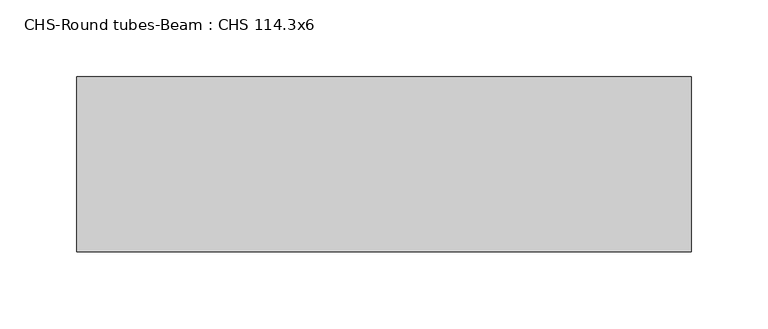
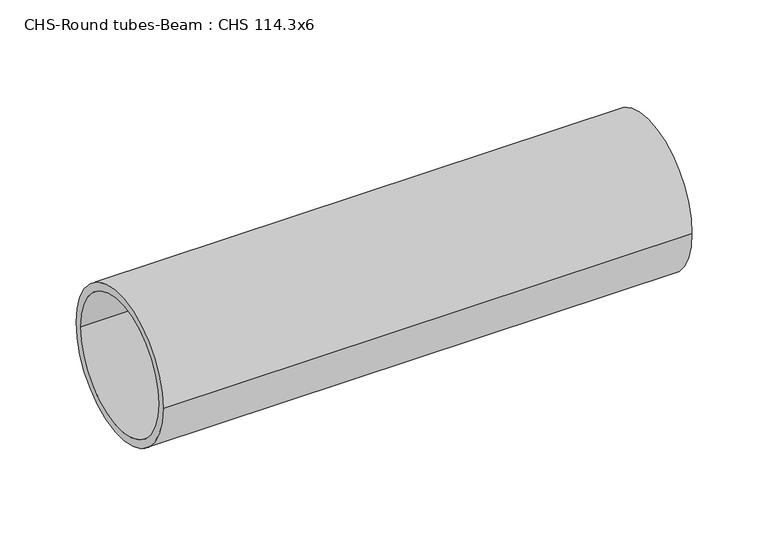
"""IFC4 building model written with IfcOpenShell, lengths in millimetres: beam geometry, CHS-Round tubes-Beam : CHS 114.3x6."""

from ifc_helpers import new_model, si_unit, point, frame, origin, origin_2d, place, context, project, spatial, circle_curve, trimmed, segment, composite_curve, outline, extrude, source, transform, mapped, element, save


def chs_round_tubes_beam_chs_114_3x6_9593edd5(model_context):
    return source(origin(), model_context, "Body", "SweptSolid", [
        extrude(outline(composite_curve([segment(trimmed(circle_curve(origin_2d(), 57.15), [point((57.15, 0.0))], [point((-57.15, 0.0))], False, "CARTESIAN"), True, "CONTINUOUS"), segment(trimmed(circle_curve(origin_2d(), 57.15), [point((-57.15, 0.0))], [point((57.15, 0.0))], False, "CARTESIAN"), True, "CONTINUOUS")], self_intersect=False), holes=[composite_curve([segment(trimmed(circle_curve(origin_2d(), 51.15), [point((51.15, 0.0))], [point((-51.15, 0.0))], True, "CARTESIAN"), True, "CONTINUOUS"), segment(trimmed(circle_curve(origin_2d(), 51.15), [point((-51.15, 0.0))], [point((51.15, 0.0))], True, "CARTESIAN"), True, "CONTINUOUS")], self_intersect=False)]), frame((-265.0900107, 0.0, 0.0), z_axis=(1.0, 0.0, 0.0), x_axis=(0.0, 1.0, 0.0)), (0.0, 0.0, 1.0), 401.0186048),
    ])


if __name__ == "__main__":
    model = new_model("IFC4")
    model_context = context("Model", 3, world=origin())
    ifc_project = project(units=[si_unit("LENGTHUNIT", "METRE", prefix="MILLI")], contexts=[model_context])
    site = spatial("IfcSite", under=ifc_project)
    building = spatial("IfcBuilding", under=site)
    placement = place(None, origin())
    chs_round_tubes_beam_chs_114_3x6_shape = chs_round_tubes_beam_chs_114_3x6_9593edd5(model_context)
    element("IfcBeam", 1, ObjectType="CHS-Round tubes-Beam : CHS 114.3x6", at=placement, inside=building, context=model_context, shape_type="MappedRepresentation", body=[
        mapped(chs_round_tubes_beam_chs_114_3x6_shape, transform((0.0, 0.0, 0.0), x_axis=(1.0, 0.0, 0.0), y_axis=(0.0, 1.0, 0.0), z_axis=(0.0, 0.0, 1.0))),
    ])
    save(model, "model.ifc")
